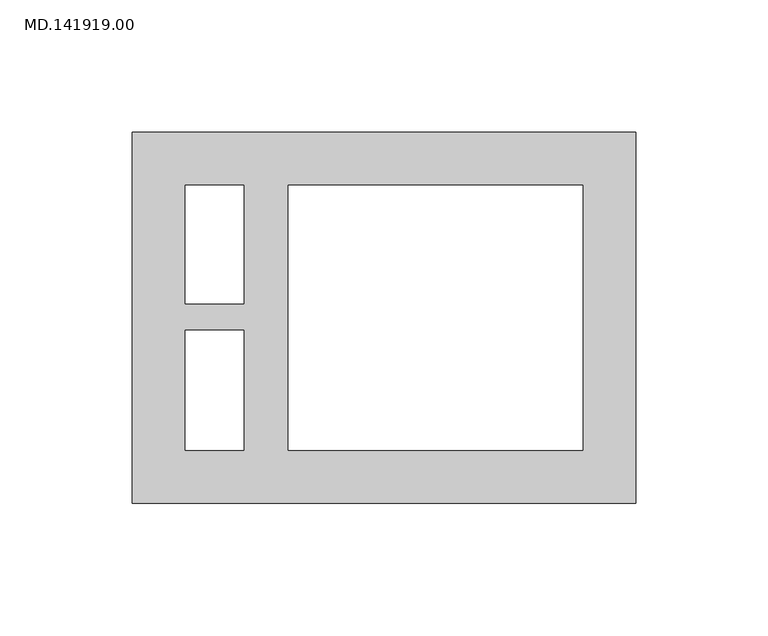
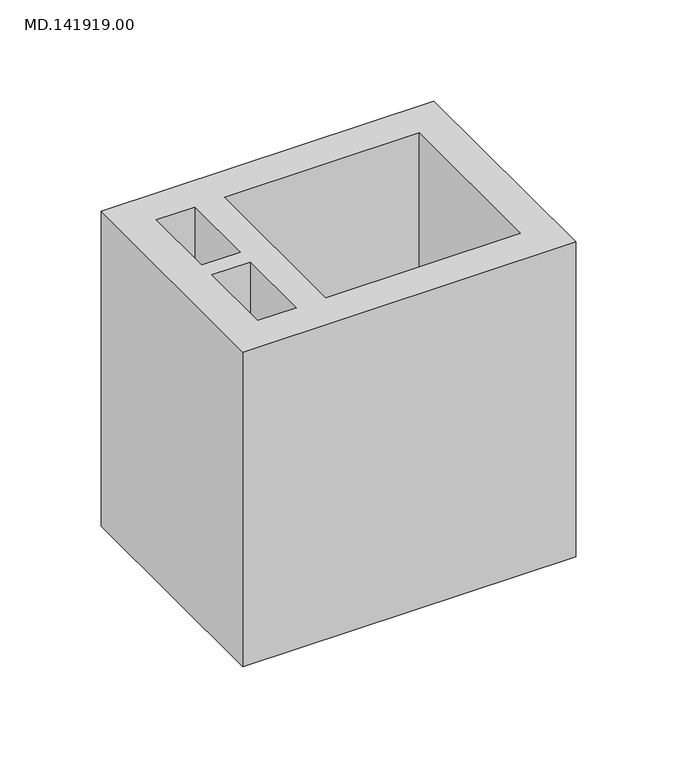
"""IFC4 building model written with IfcOpenShell, lengths in millimetres: proxy geometry, MD.141919.00."""

from ifc_helpers import new_model, si_unit, origin, origin_with_axes, place, context, project, spatial, polyline, outline, extrude, source, transform, mapped, element, save


def md_141919_00_cd2d6063(model_context):
    return source(origin(), model_context, "Body", "SweptSolid", [
        extrude(outline(polyline([(194.9914551, 70.0050293), (194.9914551, -70.0050293), (5.0, -70.0050293), (5.0, 70.0050293), (194.9914551, 70.0050293)]), holes=[polyline([(175.0112793, -50.00625), (175.0112793, 50.00625), (63.9184745, 50.00625), (63.9184745, -50.00625), (175.0112793, -50.00625)]), polyline([(25.0173828, -4.7490177), (25.0173828, -50.00625), (47.0096891, -50.00625), (47.0096891, -4.7490177), (25.0173828, -4.7490177)]), polyline([(47.0096891, 50.00625), (25.0173828, 50.00625), (25.0173828, 5.2451397), (47.0096891, 5.2451397), (47.0096891, 50.00625)])]), origin_with_axes(), (0.0, 0.0, 1.0), 190.0),
    ])


if __name__ == "__main__":
    model = new_model("IFC4")
    model_context = context("Model", 3, world=origin())
    ifc_project = project(units=[si_unit("LENGTHUNIT", "METRE", prefix="MILLI")], contexts=[model_context])
    site = spatial("IfcSite", under=ifc_project)
    building = spatial("IfcBuilding", under=site)
    placement = place(None, origin())
    md_141919_00_shape = md_141919_00_cd2d6063(model_context)
    element("IfcBuildingElementProxy", 1, Name="MD.141919.00", ObjectType="MD.141919.00", at=placement, inside=building, context=model_context, shape_type="MappedRepresentation", body=[
        mapped(md_141919_00_shape, transform((0.0, 0.0, 0.0), x_axis=(1.0, 0.0, 0.0), y_axis=(0.0, 1.0, 0.0), z_axis=(0.0, 0.0, 1.0))),
    ])
    save(model, "model.ifc")
